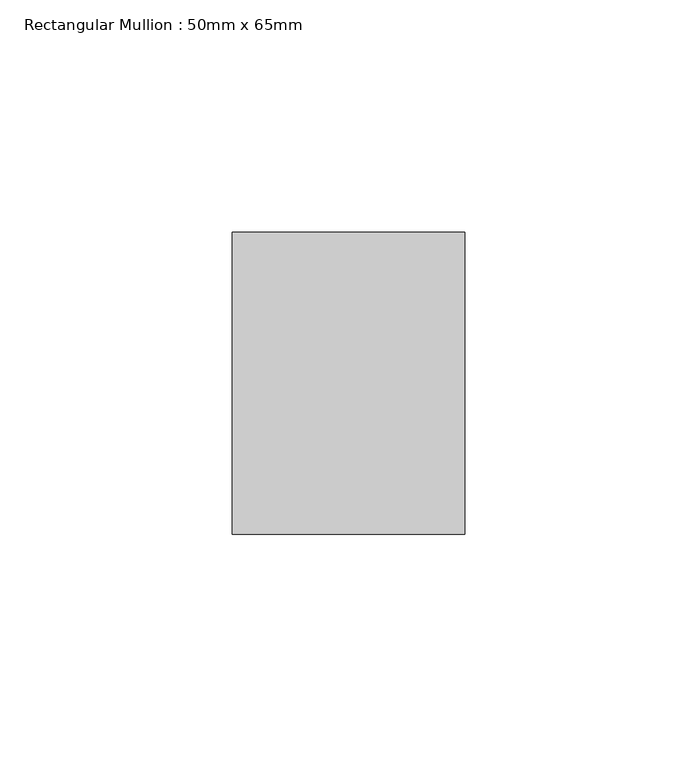
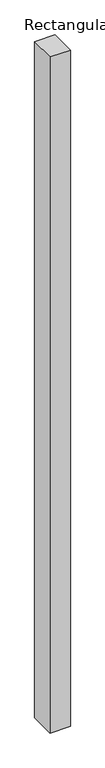
"""IFC4 building model written with IfcOpenShell, lengths in millimetres: member geometry, Rectangular Mullion : 50mm x 65mm."""

from ifc_helpers import new_model, si_unit, frame, origin, place, context, project, spatial, polyline, outline, extrude, source, transform, mapped, element, save


def rectangular_mullion_50mm_x_65mm_a0b232e2(model_context):
    return source(origin(), model_context, "Body", "SweptSolid", [
        extrude(outline(polyline([(25.0, 32.5), (25.0, -32.5), (-25.0, -32.5), (-25.0, 32.5), (25.0, 32.5)])), frame((0.0, 0.0, -1754.495017), z_axis=(0.0, 0.0, 1.0), x_axis=(1.0, 0.0, 0.0)), (0.0, 0.0, 1.0), 1754.495017),
    ])


if __name__ == "__main__":
    model = new_model("IFC4")
    model_context = context("Model", 3, world=origin())
    ifc_project = project(units=[si_unit("LENGTHUNIT", "METRE", prefix="MILLI")], contexts=[model_context])
    site = spatial("IfcSite", under=ifc_project)
    building = spatial("IfcBuilding", under=site)
    placement = place(None, origin())
    rectangular_mullion_50mm_x_65mm_shape = rectangular_mullion_50mm_x_65mm_a0b232e2(model_context)
    element("IfcMember", 1, ObjectType="Rectangular Mullion : 50mm x 65mm", at=placement, inside=building, context=model_context, shape_type="MappedRepresentation", body=[
        mapped(rectangular_mullion_50mm_x_65mm_shape, transform((0.0, 0.0, 0.0), x_axis=(1.0, 0.0, 0.0), y_axis=(0.0, 1.0, 0.0), z_axis=(0.0, 0.0, 1.0))),
    ])
    save(model, "model.ifc")
